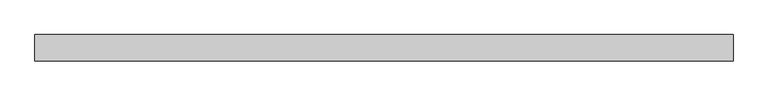
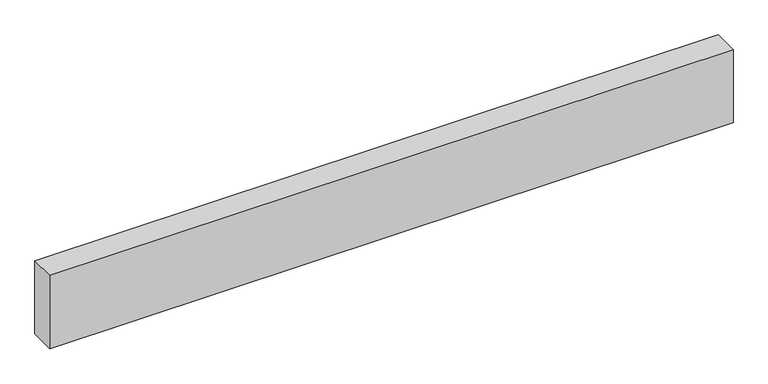
"""IFC4 building model written with IfcOpenShell, lengths in millimetres: proxy geometry."""

import ifcopenshell
import ifcopenshell.guid

model = None  # the IFC model being written
_history = None  # IfcOwnerHistory: only IFC2X3 demands one
_inside = {}  # id of a spatial element -> (the spatial element, [elements in it])
_under = {}  # id of a project, library or spatial element -> (it, [spatial elements below it])
_declared = {}  # id of a project -> (the project, [libraries it declares])
_typed = {}  # id of a type object -> (the type object, [elements of that type])
_made_of = {}  # id of a material, layer set ... -> (it, [elements and type objects made of it])


def new_model(schema):
    """Start an empty IFC model of exactly this schema.

    Asked for "IFC4X3", IfcOpenShell would pick the latest addendum, in which some entities
    have other attributes; the version numbers below select the first issue.
    IFC2X3 requires an IfcOwnerHistory on every rooted entity: one is made here for all.
    """
    global model, _history
    if schema == "IFC4X3":
        model = ifcopenshell.file(schema_version=(4, 3, 0, 0))
    else:
        model = ifcopenshell.file(schema=schema)
    _inside.clear()
    _under.clear()
    _declared.clear()
    _typed.clear()
    _made_of.clear()
    _history = None
    if model.schema == "IFC2X3":
        org = make("IfcOrganization", Name="unknown")
        user = make(
            "IfcPersonAndOrganization",
            ThePerson=make("IfcPerson", FamilyName="unknown"),
            TheOrganization=org,
        )
        app = make(
            "IfcApplication",
            ApplicationDeveloper=org,
            Version="unknown",
            ApplicationFullName="unknown",
            ApplicationIdentifier="unknown",
        )
        _history = make(
            "IfcOwnerHistory",
            OwningUser=user,
            OwningApplication=app,
            ChangeAction="ADDED",
            CreationDate=0,
        )
    return model


def make(cls, **values):
    """One entity of the class cls with the attributes given. An attribute that is None is left unset."""
    return model.create_entity(
        cls, **{name: value for name, value in values.items() if value is not None}
    )


def rooted(cls, **values):
    """An entity with a GlobalId (a new one), such as an element, a storey or a relation."""
    return make(cls, GlobalId=ifcopenshell.guid.new(), OwnerHistory=_history, **values)


def si_unit(unit_type, name, prefix=None):
    """IfcSIUnit, for example si_unit("LENGTHUNIT", "METRE", prefix="MILLI")."""
    return make("IfcSIUnit", UnitType=unit_type, Prefix=prefix, Name=name)


def assignment(units):
    """IfcUnitAssignment: the units of a project."""
    return None if units is None else make("IfcUnitAssignment", Units=units)


def point(xyz):
    """IfcCartesianPoint."""
    return None if xyz is None else make("IfcCartesianPoint", Coordinates=xyz)


def direction(xyz):
    """IfcDirection."""
    return None if xyz is None else make("IfcDirection", DirectionRatios=xyz)


def frame(location, z_axis=None, x_axis=None):
    """IfcAxis2Placement3D, a coordinate frame: its origin and axes. An axis left out is left unset."""
    return make(
        "IfcAxis2Placement3D",
        Location=point(location),
        Axis=direction(z_axis),
        RefDirection=direction(x_axis),
    )


def origin():
    """The frame at (0, 0, 0) with its axes left unset."""
    return frame((0.0, 0.0, 0.0))


def origin_with_axes():
    """The frame at (0, 0, 0) with the z axis (0, 0, 1) and the x axis (1, 0, 0) written out."""
    return frame((0.0, 0.0, 0.0), z_axis=(0.0, 0.0, 1.0), x_axis=(1.0, 0.0, 0.0))


def place(relative_to, where):
    """IfcLocalPlacement: puts the frame where relative to a parent placement (None: the world)."""
    return make(
        "IfcLocalPlacement", PlacementRelTo=relative_to, RelativePlacement=where
    )


def context(
    kind, dimensions, precision=None, world=None, true_north=None, identifier=None
):
    """IfcGeometricRepresentationContext, for example the 3D "Model" context."""
    return make(
        "IfcGeometricRepresentationContext",
        ContextIdentifier=identifier,
        ContextType=kind,
        CoordinateSpaceDimension=dimensions,
        Precision=precision,
        WorldCoordinateSystem=world,
        TrueNorth=true_north,
    )


def project(units=None, contexts=None):
    """IfcProject with its units and contexts."""
    return rooted(
        "IfcProject",
        Name="project",
        RepresentationContexts=contexts,
        UnitsInContext=assignment(units),
    )


def spatial(cls, under=None, at=None, **own):
    """A site, building, storey or space (cls), placed at a placement, below another one or the project."""
    s = rooted(cls, ObjectPlacement=at, **own)
    if under is not None:
        _under.setdefault(under.id(), (under, []))[1].append(s)
    return s


def polyline(points):
    """IfcPolyline through the points."""
    return make("IfcPolyline", Points=[point(p) for p in points])


def outline(outer, holes=None, kind="AREA"):
    """IfcArbitraryClosedProfileDef: a profile drawn as a closed curve; with holes, ...WithVoids."""
    if holes is None:
        return make("IfcArbitraryClosedProfileDef", ProfileType=kind, OuterCurve=outer)
    return make(
        "IfcArbitraryProfileDefWithVoids",
        ProfileType=kind,
        OuterCurve=outer,
        InnerCurves=holes,
    )


def extrude(swept, where, along, depth):
    """IfcExtrudedAreaSolid: the profile swept, set in the frame where, extruded along a direction by depth."""
    return make(
        "IfcExtrudedAreaSolid",
        SweptArea=swept,
        Position=where,
        ExtrudedDirection=direction(along),
        Depth=depth,
    )


def shape(context_of_items, identifier, shape_type, items):
    """IfcShapeRepresentation: the items that make up one representation, for example the "Body"."""
    return make(
        "IfcShapeRepresentation",
        ContextOfItems=context_of_items,
        RepresentationIdentifier=identifier,
        RepresentationType=shape_type,
        Items=items,
    )


def source(mapping_origin, context_of_items, identifier, shape_type, items):
    """IfcRepresentationMap: a shape defined once, which mapped items show again and again."""
    return make(
        "IfcRepresentationMap",
        MappingOrigin=mapping_origin,
        MappedRepresentation=shape(context_of_items, identifier, shape_type, items),
    )


def transform(
    local_origin,
    x_axis=None,
    y_axis=None,
    z_axis=None,
    scale=None,
    scale2=None,
    scale3=None,
    uniform=True,
):
    """IfcCartesianTransformationOperator3D, or its non-uniform kind. x_axis, y_axis, z_axis: its Axis1, 2, 3."""
    if uniform:
        return make(
            "IfcCartesianTransformationOperator3D",
            Axis1=direction(x_axis),
            Axis2=direction(y_axis),
            LocalOrigin=point(local_origin),
            Scale=scale,
            Axis3=direction(z_axis),
        )
    return make(
        "IfcCartesianTransformationOperator3DnonUniform",
        Axis1=direction(x_axis),
        Axis2=direction(y_axis),
        LocalOrigin=point(local_origin),
        Scale=scale,
        Axis3=direction(z_axis),
        Scale2=scale2,
        Scale3=scale3,
    )


def mapped(mapping_source, mapping_target):
    """IfcMappedItem: shows the shape of a source again, moved by a transform."""
    return make(
        "IfcMappedItem", MappingSource=mapping_source, MappingTarget=mapping_target
    )


def made_of(thing, what):
    """Note that an element or type object is made of a material, layer set ...; save() writes the relation."""
    if what is not None:
        _made_of.setdefault(what.id(), (what, []))[1].append(thing)
    return thing


def element(
    cls,
    number,
    at=None,
    inside=None,
    cuts=None,
    type_object=None,
    material=None,
    context=None,
    identifier="Body",
    shape_type=None,
    held_by="IfcProductDefinitionShape",
    body=None,
    shapes=None,
    **own,
):
    """One element of the class cls, such as IfcWall. Its Tag is "e" and its number.

    at: its placement. inside: the storey or other place that contains it. cuts: it is an
    opening in that element (IfcRelVoidsElement). A single representation is given by context,
    identifier, shape_type and body (its items); several are given by shapes. held_by: the class
    of the entity that holds the representations. save() writes the other relations.
    """
    e = rooted(cls, Tag="e%d" % number, ObjectPlacement=at, **own)
    if body is not None:
        shapes = [shape(context, identifier, shape_type, body)]
    if shapes is not None:
        e.Representation = make(held_by, Representations=shapes)
    if inside is not None:
        _inside.setdefault(inside.id(), (inside, []))[1].append(e)
    if cuts is not None:
        rooted(
            "IfcRelVoidsElement", RelatingBuildingElement=cuts, RelatedOpeningElement=e
        )
    if type_object is not None:
        _typed.setdefault(type_object.id(), (type_object, []))[1].append(e)
    return made_of(e, material)


def aggregate(whole, parts):
    """IfcRelAggregates: a whole, such as a stair, and the parts it consists of."""
    return rooted("IfcRelAggregates", RelatingObject=whole, RelatedObjects=parts)


def save(model, path):
    """Write the relations noted so far, then the file.

    IfcRelAggregates (storeys below a building ...), IfcRelContainedInSpatialStructure (elements
    in a storey), IfcRelDefinesByType, IfcRelAssociatesMaterial and IfcRelDeclares: one each for
    every whole, place, type object, material and project.
    """
    for whole, parts in _under.values():
        aggregate(whole, parts)
    for where, things in _inside.values():
        rooted(
            "IfcRelContainedInSpatialStructure",
            RelatedElements=things,
            RelatingStructure=where,
        )
    for kind, things in _typed.values():
        rooted("IfcRelDefinesByType", RelatedObjects=things, RelatingType=kind)
    for what, things in _made_of.values():
        rooted("IfcRelAssociatesMaterial", RelatedObjects=things, RelatingMaterial=what)
    for by, libraries in _declared.values():
        rooted("IfcRelDeclares", RelatingContext=by, RelatedDefinitions=libraries)
    model.write(path)


def generic_models_0787a6cf(model_context):
    return source(origin(), model_context, "Body", "SweptSolid", [
        extrude(outline(polyline([(2649.0613385, 0.0), (2649.0613385, -100.0), (0.0, -100.0), (0.0, 0.0), (2649.0613385, 0.0)])), origin_with_axes(), (0.0, 0.0, 1.0), 300.0),
    ])


if __name__ == "__main__":
    model = new_model("IFC4")
    model_context = context("Model", 3, world=origin())
    ifc_project = project(units=[si_unit("LENGTHUNIT", "METRE", prefix="MILLI")], contexts=[model_context])
    site = spatial("IfcSite", under=ifc_project)
    building = spatial("IfcBuilding", under=site)
    placement = place(None, origin())
    generic_models_shape = generic_models_0787a6cf(model_context)
    element("IfcBuildingElementProxy", 1, Name="Generic Models", at=placement, inside=building, context=model_context, shape_type="MappedRepresentation", body=[
        mapped(generic_models_shape, transform((0.0, 0.0, 0.0), x_axis=(1.0, 0.0, 0.0), y_axis=(0.0, 1.0, 0.0), z_axis=(0.0, 0.0, 1.0))),
    ])
    save(model, "model.ifc")
